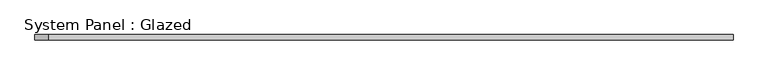
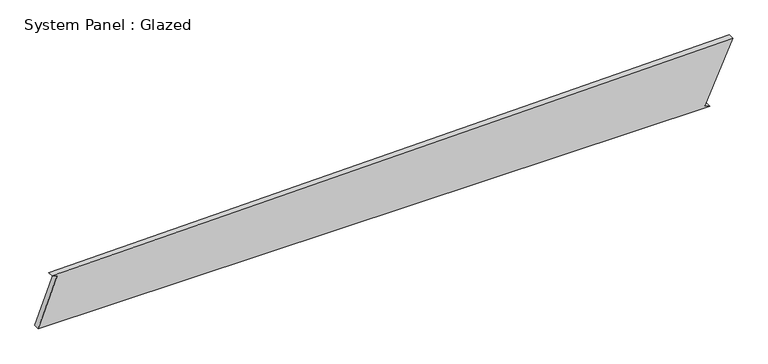
"""IFC4 building model written with IfcOpenShell, lengths in millimetres: plate geometry, System Panel : Glazed."""

from ifc_helpers import new_model, si_unit, frame, origin, place, context, project, spatial, polyline, outline, extrude, source, transform, mapped, element, save


def system_panel_glazed_864dcb4c(model_context):
    return source(origin(), model_context, "Body", "SweptSolid", [
        extrude(outline(polyline([(0.0, -1574.0627885), (0.0, 1469.8513536), (10.3546588, 1447.0965509), (289.3683604, 1574.0627885), (231.431775, -1510.9778313), (222.379029, -1487.6744455), (0.0, -1574.0627885)])), frame((0.0, -49.5, 0.0), z_axis=(0.0, 1.0, 0.0), x_axis=(0.0, 0.0, 1.0)), (0.0, 0.0, 1.0), 25.0),
    ])


if __name__ == "__main__":
    model = new_model("IFC4")
    model_context = context("Model", 3, world=origin())
    ifc_project = project(units=[si_unit("LENGTHUNIT", "METRE", prefix="MILLI")], contexts=[model_context])
    site = spatial("IfcSite", under=ifc_project)
    building = spatial("IfcBuilding", under=site)
    placement = place(None, origin())
    system_panel_glazed_shape = system_panel_glazed_864dcb4c(model_context)
    element("IfcPlate", 1, ObjectType="System Panel : Glazed", at=placement, inside=building, context=model_context, shape_type="MappedRepresentation", body=[
        mapped(system_panel_glazed_shape, transform((0.0, 0.0, 0.0), x_axis=(1.0, 0.0, 0.0), y_axis=(0.0, 1.0, 0.0), z_axis=(0.0, 0.0, 1.0))),
    ])
    save(model, "model.ifc")
